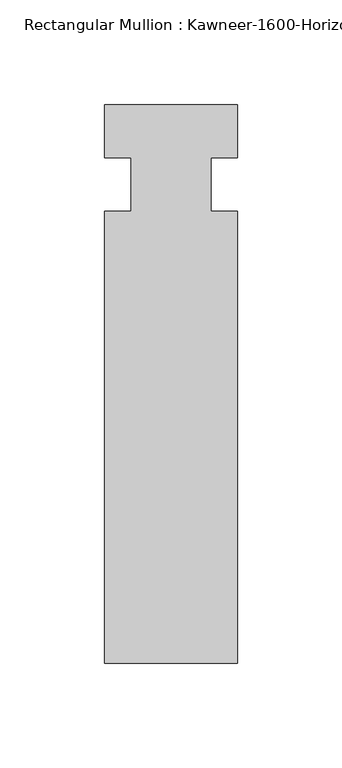
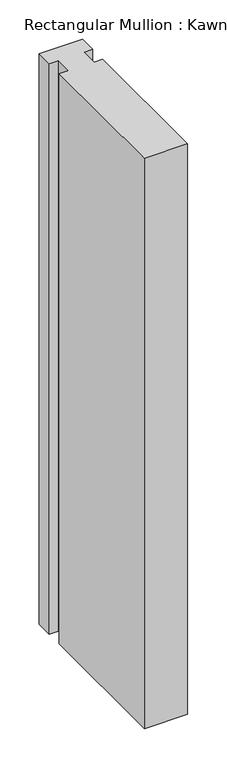
"""IFC4 building model written with IfcOpenShell, lengths in millimetres: member geometry."""

from ifc_helpers import new_model, si_unit, frame, origin, place, context, project, spatial, polyline, outline, extrude, source, transform, mapped, element, save


def member_df301120(model_context):
    return source(origin(), model_context, "Body", "SweptSolid", [
        extrude(outline(polyline([(31.75, -228.6), (-31.75, -228.6), (-31.75, -12.7), (-19.05, -12.7), (-19.05, 12.7), (-31.75, 12.7), (-31.75, 38.1), (31.75, 38.1), (31.75, 12.7), (19.05, 12.7), (19.05, -12.7), (31.75, -12.7), (31.75, -228.6)])), frame((0.0, 0.0, -882.65), z_axis=(0.0, 0.0, 1.0), x_axis=(1.0, 0.0, 0.0)), (0.0, 0.0, 1.0), 882.65),
    ])


if __name__ == "__main__":
    model = new_model("IFC4")
    model_context = context("Model", 3, world=origin())
    ifc_project = project(units=[si_unit("LENGTHUNIT", "METRE", prefix="MILLI")], contexts=[model_context])
    site = spatial("IfcSite", under=ifc_project)
    building = spatial("IfcBuilding", under=site)
    placement = place(None, origin())
    member_shape = member_df301120(model_context)
    element("IfcMember", 1, ObjectType="Rectangular Mullion : Kawneer-1600-Horizontal_Interior-System1-10_1/2\"-1\"Infill", at=placement, inside=building, context=model_context, shape_type="MappedRepresentation", body=[
        mapped(member_shape, transform((0.0, 0.0, 0.0), x_axis=(1.0, 0.0, 0.0), y_axis=(0.0, 1.0, 0.0), z_axis=(0.0, 0.0, 1.0))),
    ])
    save(model, "model.ifc")
